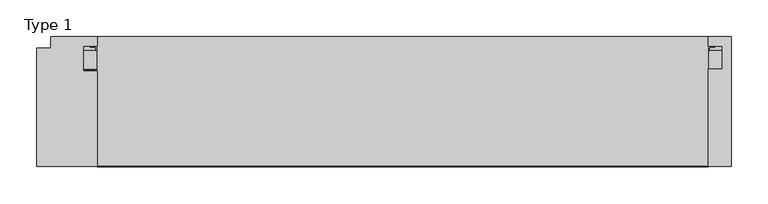
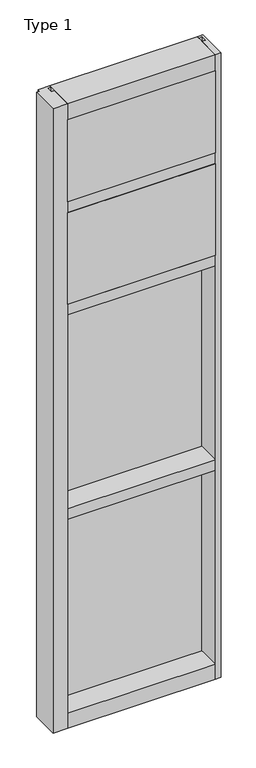
"""IFC4 building model written with IfcOpenShell, lengths in millimetres: plate geometry, Type 1."""

from ifc_helpers import new_model, si_unit, point, frame, frame_2d, origin, place, context, project, spatial, polyline, circle_curve, trimmed, segment, composite_curve, outline, extrude, source, transform, mapped, element, save


def type_1_152472bc(model_context):
    return source(origin(), model_context, "Body", "SweptSolid", [
        extrude(outline(polyline([(34.0360843, 3579.4782689), (34.0360843, 3568.7272341), (27.686, 3566.9739421), (27.686, 3579.4782689), (34.0360843, 3579.4782689)])), frame((-436.5625, 0.0, 0.0), z_axis=(1.0, 0.0, 0.0), x_axis=(0.0, 1.0, 0.0)), (0.0, 0.0, 1.0), 873.125),
        extrude(outline(composite_curve([segment(polyline([(-417.9999462, 27.686), (-418.9664521, 27.686), (-418.9939595, 31.7563748)]), True, "CONTINUOUS"), segment(trimmed(circle_curve(frame_2d((-419.628945, 31.7520836)), 0.635), [point((-418.9939595, 31.7563748))], [point((-419.5938642, 32.3861138))], True, "CARTESIAN"), True, "CONTINUOUS"), segment(polyline([(-419.5938642, 32.3861138), (-426.3492251, 32.7598869)]), True, "CONTINUOUS"), segment(trimmed(circle_curve(frame_2d((-426.1666718, 33.7593519)), 1.016), [point((-426.3492251, 32.7598869))], [point((-427.1442504, 34.0361122))], False, "CARTESIAN"), True, "CONTINUOUS"), segment(polyline([(-427.1442504, 34.0361122), (-417.5890008, 34.0361122), (-417.9999462, 27.686)]), True, "CONTINUOUS")], self_intersect=False)), frame((0.0, 0.0, 3068.9728643), z_axis=(0.0, 0.0, 1.0), x_axis=(1.0, 0.0, 0.0)), (0.0, 0.0, 1.0), 518.7771357),
        extrude(outline(composite_curve([segment(polyline([(417.9999462, 27.686), (417.5890008, 34.0361122), (427.1442504, 34.0361122)]), True, "CONTINUOUS"), segment(trimmed(circle_curve(frame_2d((426.1666718, 33.7593519)), 1.016), [point((427.1442504, 34.0361122))], [point((426.3492251, 32.7598869))], False, "CARTESIAN"), True, "CONTINUOUS"), segment(polyline([(426.3492251, 32.7598869), (419.5938642, 32.3861138)]), True, "CONTINUOUS"), segment(trimmed(circle_curve(frame_2d((419.628945, 31.7520836)), 0.635), [point((419.5938642, 32.3861138))], [point((418.9939595, 31.7563748))], True, "CARTESIAN"), True, "CONTINUOUS"), segment(polyline([(418.9939595, 31.7563748), (418.9664521, 27.686), (417.9999462, 27.686)]), True, "CONTINUOUS")], self_intersect=False)), frame((0.0, 0.0, 3068.9728643), z_axis=(0.0, 0.0, 1.0), x_axis=(1.0, 0.0, 0.0)), (0.0, 0.0, 1.0), 518.7771357),
        extrude(outline(polyline([(34.0361122, 3068.9728643), (27.686, 3068.9728643), (27.686, 3081.4771952), (34.0361122, 3079.7238955), (34.0361122, 3068.9728643)])), frame((-427.1442504, 0.0, 0.0), z_axis=(1.0, 0.0, 0.0), x_axis=(0.0, 1.0, 0.0)), (0.0, 0.0, 1.0), 854.2885007),
        extrude(outline(polyline([(419.1, -48.6030703), (417.5125, -131.0159103), (-417.5125, -131.0159103), (-419.1, -48.6030703), (419.1, -48.6030703)])), frame((0.0, 0.0, 3079.75), z_axis=(0.0, 0.0, 1.0), x_axis=(1.0, 0.0, 0.0)), (0.0, 0.0, 1.0), 488.95),
        extrude(outline(polyline([(-436.5625, 27.686), (436.5625, 27.686), (436.5625, 2.286), (-436.5625, 2.286), (-436.5625, 27.686)])), frame((0.0, 0.0, 3060.7), z_axis=(0.0, 0.0, 1.0), x_axis=(1.0, 0.0, 0.0)), (0.0, 0.0, 1.0), 527.05),
        extrude(outline(composite_curve([segment(polyline([(34.0360974, 3027.0282838), (34.0360974, 3016.1659828)]), True, "CONTINUOUS"), segment(trimmed(circle_curve(frame_2d((38.5198748, 2991.1648681)), 25.4), [point((34.0360974, 3016.1659828))], [point((27.686, 3014.1384868))], True, "CARTESIAN"), True, "CONTINUOUS"), segment(polyline([(27.686, 3014.1384868), (27.686, 3027.0282838), (34.0360974, 3027.0282838)]), True, "CONTINUOUS")], self_intersect=False)), frame((-436.5625, 0.0, 0.0), z_axis=(1.0, 0.0, 0.0), x_axis=(0.0, 1.0, 0.0)), (0.0, 0.0, 1.0), 873.125),
        extrude(outline(composite_curve([segment(polyline([(-417.5890008, 34.0361122), (-417.9999462, 27.686), (-418.9664521, 27.686), (-418.9939595, 31.7563748)]), True, "CONTINUOUS"), segment(trimmed(circle_curve(frame_2d((-419.628945, 31.7520836)), 0.635), [point((-418.9939595, 31.7563748))], [point((-419.5938642, 32.3861138))], True, "CARTESIAN"), True, "CONTINUOUS"), segment(polyline([(-419.5938642, 32.3861138), (-426.3492251, 32.7598869)]), True, "CONTINUOUS"), segment(trimmed(circle_curve(frame_2d((-426.1666718, 33.7593519)), 1.016), [point((-426.3492251, 32.7598869))], [point((-427.1442504, 34.0361122))], False, "CARTESIAN"), True, "CONTINUOUS"), segment(polyline([(-427.1442504, 34.0361122), (-417.5890008, 34.0361122)]), True, "CONTINUOUS")], self_intersect=False)), frame((0.0, 0.0, 2459.3728643), z_axis=(0.0, 0.0, 1.0), x_axis=(1.0, 0.0, 0.0)), (0.0, 0.0, 1.0), 575.9271357),
        extrude(outline(composite_curve([segment(polyline([(417.9999462, 27.686), (417.5890008, 34.0361122), (427.1442504, 34.0361122)]), True, "CONTINUOUS"), segment(trimmed(circle_curve(frame_2d((426.1666718, 33.7593519)), 1.016), [point((427.1442504, 34.0361122))], [point((426.3492251, 32.7598869))], False, "CARTESIAN"), True, "CONTINUOUS"), segment(polyline([(426.3492251, 32.7598869), (419.5938642, 32.3861138)]), True, "CONTINUOUS"), segment(trimmed(circle_curve(frame_2d((419.628945, 31.7520836)), 0.635), [point((419.5938642, 32.3861138))], [point((418.9939595, 31.7563748))], True, "CARTESIAN"), True, "CONTINUOUS"), segment(polyline([(418.9939595, 31.7563748), (418.9664521, 27.686), (417.9999462, 27.686)]), True, "CONTINUOUS")], self_intersect=False)), frame((0.0, 0.0, 2459.3728643), z_axis=(0.0, 0.0, 1.0), x_axis=(1.0, 0.0, 0.0)), (0.0, 0.0, 1.0), 575.9271357),
        extrude(outline(polyline([(34.0361122, 2459.3728643), (27.686, 2459.3728643), (27.686, 2471.8771952), (34.0361122, 2470.1238955), (34.0361122, 2459.3728643)])), frame((-427.1442504, 0.0, 0.0), z_axis=(1.0, 0.0, 0.0), x_axis=(0.0, 1.0, 0.0)), (0.0, 0.0, 1.0), 854.2885007),
        extrude(outline(polyline([(417.5125, -48.514), (417.5125, -131.0159103), (-417.5125, -131.0159103), (-417.5125, -48.514), (417.5125, -48.514)])), frame((0.0, 0.0, 2470.15), z_axis=(0.0, 0.0, 1.0), x_axis=(1.0, 0.0, 0.0)), (0.0, 0.0, 1.0), 546.1),
        extrude(outline(polyline([(436.5625, 27.686), (436.5625, 2.286), (-436.5625, 2.286), (-436.5625, 27.686), (436.5625, 27.686)])), frame((0.0, 0.0, 2451.1), z_axis=(0.0, 0.0, 1.0), x_axis=(1.0, 0.0, 0.0)), (0.0, 0.0, 1.0), 584.2),
        extrude(outline(polyline([(-417.5135892, -130.5814), (-500.0635892, -130.5814), (-500.0635892, 31.3944), (-481.0135892, 31.3944), (-481.0135892, 47.2186), (-417.5135892, 47.2186), (-417.5135892, 34.036), (-436.5635892, 34.036), (-436.5635892, 0.0), (-417.5135892, 0.0), (-417.5135892, -130.5814)])), frame((0.0, 0.0, -57.15), z_axis=(0.0, 0.0, 1.0), x_axis=(1.0, 0.0, 0.0)), (0.0, 0.0, 1.0), 3721.1),
        extrude(outline(polyline([(449.2625, -130.5814), (417.5125, -130.5814), (417.5125, 2.286), (436.5625, 2.286), (436.5625, 34.036), (417.5114108, 34.036), (417.5114108, 47.2186), (449.2625, 47.2186), (449.2625, -130.5814)])), frame((0.0, 0.0, -57.15), z_axis=(0.0, 0.0, 1.0), x_axis=(1.0, 0.0, 0.0)), (0.0, 0.0, 1.0), 3721.1),
        extrude(outline(polyline([(27.686, 1252.6752684), (34.036, 1250.9219997), (34.036, 1240.1709644), (27.686, 1240.1709644), (27.686, 1252.6752684)])), frame((-427.1453713, 0.0, 0.0), z_axis=(1.0, 0.0, 0.0), x_axis=(0.0, 1.0, 0.0)), (0.0, 0.0, 1.0), 854.2907427),
        extrude(outline(polyline([(27.6860992, 2417.4309356), (34.0360992, 2417.4309356), (34.0360992, 2406.6798775), (27.6860992, 2404.9266088), (27.6860992, 2417.4309356)])), frame((-427.1453713, 0.0, 0.0), z_axis=(1.0, 0.0, 0.0), x_axis=(0.0, 1.0, 0.0)), (0.0, 0.0, 1.0), 854.2907427),
        extrude(outline(composite_curve([segment(trimmed(circle_curve(frame_2d((-419.6300342, 31.7520836)), 0.635), [point((-418.9950487, 31.7563748))], [point((-419.5949534, 32.3861138))], True, "CARTESIAN"), True, "CONTINUOUS"), segment(polyline([(-419.5949534, 32.3861138), (-426.3503143, 32.7598869)]), True, "CONTINUOUS"), segment(trimmed(circle_curve(frame_2d((-426.1677611, 33.7593519)), 1.016), [point((-426.3503143, 32.7598869))], [point((-427.1453713, 34.036))], False, "CARTESIAN"), True, "CONTINUOUS"), segment(polyline([(-427.1453713, 34.036), (-417.5900972, 34.036), (-418.0010354, 27.686), (-418.9675413, 27.686), (-418.9950487, 31.7563748)]), True, "CONTINUOUS")], self_intersect=False)), frame((0.0, 0.0, 1240.1709644), z_axis=(0.0, 0.0, 1.0), x_axis=(1.0, 0.0, 0.0)), (0.0, 0.0, 1.0), 1177.2580861),
        extrude(outline(composite_curve([segment(polyline([(418.0010354, 27.686), (417.5900972, 34.036), (427.1453713, 34.036)]), True, "CONTINUOUS"), segment(trimmed(circle_curve(frame_2d((426.1677611, 33.7593519)), 1.016), [point((427.1453713, 34.036))], [point((426.3503143, 32.7598869))], False, "CARTESIAN"), True, "CONTINUOUS"), segment(polyline([(426.3503143, 32.7598869), (419.5949534, 32.3861138)]), True, "CONTINUOUS"), segment(trimmed(circle_curve(frame_2d((419.6300342, 31.7520836)), 0.635), [point((419.5949534, 32.3861138))], [point((418.9950487, 31.7563748))], True, "CARTESIAN"), True, "CONTINUOUS"), segment(polyline([(418.9950487, 31.7563748), (418.9675413, 27.686), (418.0010354, 27.686)]), True, "CONTINUOUS")], self_intersect=False)), frame((0.0, 0.0, 1240.1709644), z_axis=(0.0, 0.0, 1.0), x_axis=(1.0, 0.0, 0.0)), (0.0, 0.0, 1.0), 1177.2580861),
        extrude(outline(polyline([(436.5635892, 27.686), (436.5635892, 2.286), (-436.5635892, 2.286), (-436.5635892, 27.686), (436.5635892, 27.686)])), frame((0.0, 0.0, 1231.8962001), z_axis=(0.0, 0.0, 1.0), x_axis=(1.0, 0.0, 0.0)), (0.0, 0.0, 1.0), 1193.8037999),
        extrude(outline(polyline([(27.686, 33.4752684), (34.036, 31.7219997), (34.036, 20.9709644), (27.686, 20.9709644), (27.686, 33.4752684)])), frame((-427.1453713, 0.0, 0.0), z_axis=(1.0, 0.0, 0.0), x_axis=(0.0, 1.0, 0.0)), (0.0, 0.0, 1.0), 854.2907427),
        extrude(outline(polyline([(27.6860992, 1198.2309356), (34.0360992, 1198.2309356), (34.0360992, 1187.4798775), (27.6860992, 1185.7266088), (27.6860992, 1198.2309356)])), frame((-427.1453713, 0.0, 0.0), z_axis=(1.0, 0.0, 0.0), x_axis=(0.0, 1.0, 0.0)), (0.0, 0.0, 1.0), 854.2907427),
        extrude(outline(composite_curve([segment(trimmed(circle_curve(frame_2d((-419.6300342, 31.7520836)), 0.635), [point((-418.9950487, 31.7563748))], [point((-419.5949534, 32.3861138))], True, "CARTESIAN"), True, "CONTINUOUS"), segment(polyline([(-419.5949534, 32.3861138), (-426.3503143, 32.7598869)]), True, "CONTINUOUS"), segment(trimmed(circle_curve(frame_2d((-426.1677611, 33.7593519)), 1.016), [point((-426.3503143, 32.7598869))], [point((-427.1453713, 34.036))], False, "CARTESIAN"), True, "CONTINUOUS"), segment(polyline([(-427.1453713, 34.036), (-417.5900972, 34.036), (-418.0010354, 27.686), (-418.9675413, 27.686), (-418.9950487, 31.7563748)]), True, "CONTINUOUS")], self_intersect=False)), frame((0.0, 0.0, 20.9709644), z_axis=(0.0, 0.0, 1.0), x_axis=(1.0, 0.0, 0.0)), (0.0, 0.0, 1.0), 1177.2580861),
        extrude(outline(composite_curve([segment(polyline([(418.0010354, 27.686), (417.5900972, 34.036), (427.1453713, 34.036)]), True, "CONTINUOUS"), segment(trimmed(circle_curve(frame_2d((426.1677611, 33.7593519)), 1.016), [point((427.1453713, 34.036))], [point((426.3503143, 32.7598869))], False, "CARTESIAN"), True, "CONTINUOUS"), segment(polyline([(426.3503143, 32.7598869), (419.5949534, 32.3861138)]), True, "CONTINUOUS"), segment(trimmed(circle_curve(frame_2d((419.6300342, 31.7520836)), 0.635), [point((419.5949534, 32.3861138))], [point((418.9950487, 31.7563748))], True, "CARTESIAN"), True, "CONTINUOUS"), segment(polyline([(418.9950487, 31.7563748), (418.9675413, 27.686), (418.0010354, 27.686)]), True, "CONTINUOUS")], self_intersect=False)), frame((0.0, 0.0, 20.9709644), z_axis=(0.0, 0.0, 1.0), x_axis=(1.0, 0.0, 0.0)), (0.0, 0.0, 1.0), 1177.2580861),
        extrude(outline(polyline([(436.5635892, 27.686), (436.5635892, 2.286), (-436.5635892, 2.286), (-436.5635892, 27.686), (436.5635892, 27.686)])), frame((0.0, 0.0, 12.6962001), z_axis=(0.0, 0.0, 1.0), x_axis=(1.0, 0.0, 0.0)), (0.0, 0.0, 1.0), 1193.8037999),
        extrude(outline(polyline([(0.0, 3079.75), (0.0, 3060.7), (34.13125, 3060.7), (34.13125, 3079.7462001), (46.83125, 3079.7462001), (46.83125, 3016.2462001), (34.13125, 3016.2462001), (34.13125, 3035.3), (0.0, 3035.3), (0.0, 3016.25), (-130.175, 3016.25), (-130.175, 3079.75), (0.0, 3079.75)])), frame((-417.5125, 0.0, 0.0), z_axis=(1.0, 0.0, 0.0), x_axis=(0.0, 1.0, 0.0)), (0.0, 0.0, 1.0), 835.025),
        extrude(outline(polyline([(0.0, 2470.15), (0.0, 2451.1), (34.13125, 2451.1), (34.13125, 2470.1462001), (46.83125, 2470.1462001), (46.83125, 2406.6462001), (34.13125, 2406.6462001), (34.13125, 2425.7), (0.0, 2425.7), (0.0, 2406.65), (-130.175, 2406.65), (-130.175, 2470.15), (0.0, 2470.15)])), frame((-417.5125, 0.0, 0.0), z_axis=(1.0, 0.0, 0.0), x_axis=(0.0, 1.0, 0.0)), (0.0, 0.0, 1.0), 835.025),
        extrude(outline(polyline([(47.2186297, 3663.95), (47.2186297, 3568.7), (34.13125, 3568.7), (34.13125, 3587.75), (0.0, 3587.75), (0.0, 3568.7), (-130.175, 3568.7), (-130.175, 3663.95), (47.2186297, 3663.95)])), frame((-417.5125, 0.0, 0.0), z_axis=(1.0, 0.0, 0.0), x_axis=(0.0, 1.0, 0.0)), (0.0, 0.0, 1.0), 835.025),
        extrude(outline(polyline([(0.0, 1250.95), (0.0, 1231.9), (34.13125, 1231.9), (34.13125, 1250.9462001), (46.83125, 1250.9462001), (46.83125, 1187.4462001), (34.13125, 1187.4462001), (34.13125, 1206.5), (0.0, 1206.5), (0.0, 1187.45), (-130.175, 1187.45), (-130.175, 1250.95), (0.0, 1250.95)])), frame((-417.5125, 0.0, 0.0), z_axis=(1.0, 0.0, 0.0), x_axis=(0.0, 1.0, 0.0)), (0.0, 0.0, 1.0), 835.025),
        extrude(outline(polyline([(0.0, 31.75), (0.0, 12.7), (34.13125, 12.7), (34.13125, 31.751832), (47.2186148, 31.751832), (47.2186148, -57.15), (-130.175, -57.15), (-130.175, 31.75), (0.0, 31.75)])), frame((-417.5125, 0.0, 0.0), z_axis=(1.0, 0.0, 0.0), x_axis=(0.0, 1.0, 0.0)), (0.0, 0.0, 1.0), 835.025),
    ])


if __name__ == "__main__":
    model = new_model("IFC4")
    model_context = context("Model", 3, world=origin())
    ifc_project = project(units=[si_unit("LENGTHUNIT", "METRE", prefix="MILLI")], contexts=[model_context])
    site = spatial("IfcSite", under=ifc_project)
    building = spatial("IfcBuilding", under=site)
    placement = place(None, origin())
    type_1_shape = type_1_152472bc(model_context)
    element("IfcPlate", 1, ObjectType="Type 1", at=placement, inside=building, context=model_context, shape_type="MappedRepresentation", body=[
        mapped(type_1_shape, transform((0.0, 0.0, 0.0), x_axis=(1.0, 0.0, 0.0), y_axis=(0.0, 1.0, 0.0), z_axis=(0.0, 0.0, 1.0))),
    ])
    save(model, "model.ifc")
